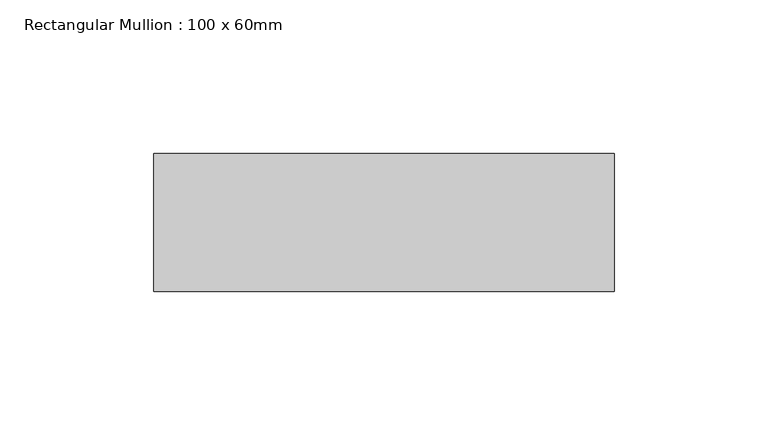
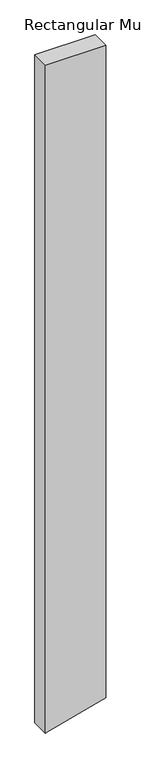
"""IFC4 building model written with IfcOpenShell, lengths in millimetres: member geometry, Rectangular Mullion : 100 x 60mm."""

from ifc_helpers import new_model, si_unit, frame, origin, place, context, project, spatial, polyline, outline, extrude, source, transform, mapped, element, save


def rectangular_mullion_100_x_60mm_5fea1fb2(model_context):
    return source(origin(), model_context, "Body", "SweptSolid", [
        extrude(outline(polyline([(0.0, 75.0), (0.0, -75.0), (-1756.8295052, -75.0), (-1754.0709042, -64.7047613), (-1716.6371263, 75.0), (0.0, 75.0)])), frame((0.0, -15.0, 0.0), z_axis=(0.0, 1.0, 0.0), x_axis=(0.0, 0.0, 1.0)), (0.0, 0.0, 1.0), 45.0),
    ])


if __name__ == "__main__":
    model = new_model("IFC4")
    model_context = context("Model", 3, world=origin())
    ifc_project = project(units=[si_unit("LENGTHUNIT", "METRE", prefix="MILLI")], contexts=[model_context])
    site = spatial("IfcSite", under=ifc_project)
    building = spatial("IfcBuilding", under=site)
    placement = place(None, origin())
    rectangular_mullion_100_x_60mm_shape = rectangular_mullion_100_x_60mm_5fea1fb2(model_context)
    element("IfcMember", 1, ObjectType="Rectangular Mullion : 100 x 60mm", at=placement, inside=building, context=model_context, shape_type="MappedRepresentation", body=[
        mapped(rectangular_mullion_100_x_60mm_shape, transform((0.0, 0.0, 0.0), x_axis=(1.0, 0.0, 0.0), y_axis=(0.0, 1.0, 0.0), z_axis=(0.0, 0.0, 1.0))),
    ])
    save(model, "model.ifc")
